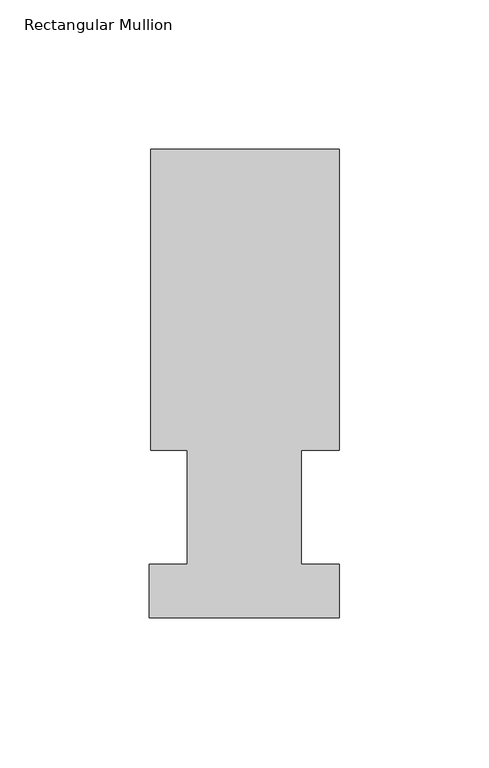
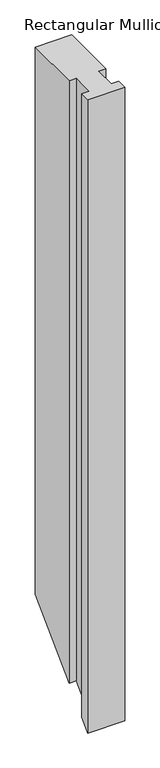
"""IFC4 building model written with IfcOpenShell, lengths in millimetres: member geometry, Rectangular Mullion."""

import ifcopenshell
import ifcopenshell.guid

model = None  # the IFC model being written
_history = None  # IfcOwnerHistory: only IFC2X3 demands one
_inside = {}  # id of a spatial element -> (the spatial element, [elements in it])
_under = {}  # id of a project, library or spatial element -> (it, [spatial elements below it])
_declared = {}  # id of a project -> (the project, [libraries it declares])
_typed = {}  # id of a type object -> (the type object, [elements of that type])
_made_of = {}  # id of a material, layer set ... -> (it, [elements and type objects made of it])


def new_model(schema):
    """Start an empty IFC model of exactly this schema.

    Asked for "IFC4X3", IfcOpenShell would pick the latest addendum, in which some entities
    have other attributes; the version numbers below select the first issue.
    IFC2X3 requires an IfcOwnerHistory on every rooted entity: one is made here for all.
    """
    global model, _history
    if schema == "IFC4X3":
        model = ifcopenshell.file(schema_version=(4, 3, 0, 0))
    else:
        model = ifcopenshell.file(schema=schema)
    _inside.clear()
    _under.clear()
    _declared.clear()
    _typed.clear()
    _made_of.clear()
    _history = None
    if model.schema == "IFC2X3":
        org = make("IfcOrganization", Name="unknown")
        user = make(
            "IfcPersonAndOrganization",
            ThePerson=make("IfcPerson", FamilyName="unknown"),
            TheOrganization=org,
        )
        app = make(
            "IfcApplication",
            ApplicationDeveloper=org,
            Version="unknown",
            ApplicationFullName="unknown",
            ApplicationIdentifier="unknown",
        )
        _history = make(
            "IfcOwnerHistory",
            OwningUser=user,
            OwningApplication=app,
            ChangeAction="ADDED",
            CreationDate=0,
        )
    return model


def make(cls, **values):
    """One entity of the class cls with the attributes given. An attribute that is None is left unset."""
    return model.create_entity(
        cls, **{name: value for name, value in values.items() if value is not None}
    )


def rooted(cls, **values):
    """An entity with a GlobalId (a new one), such as an element, a storey or a relation."""
    return make(cls, GlobalId=ifcopenshell.guid.new(), OwnerHistory=_history, **values)


def si_unit(unit_type, name, prefix=None):
    """IfcSIUnit, for example si_unit("LENGTHUNIT", "METRE", prefix="MILLI")."""
    return make("IfcSIUnit", UnitType=unit_type, Prefix=prefix, Name=name)


def assignment(units):
    """IfcUnitAssignment: the units of a project."""
    return None if units is None else make("IfcUnitAssignment", Units=units)


def point(xyz):
    """IfcCartesianPoint."""
    return None if xyz is None else make("IfcCartesianPoint", Coordinates=xyz)


def direction(xyz):
    """IfcDirection."""
    return None if xyz is None else make("IfcDirection", DirectionRatios=xyz)


def frame(location, z_axis=None, x_axis=None):
    """IfcAxis2Placement3D, a coordinate frame: its origin and axes. An axis left out is left unset."""
    return make(
        "IfcAxis2Placement3D",
        Location=point(location),
        Axis=direction(z_axis),
        RefDirection=direction(x_axis),
    )


def origin():
    """The frame at (0, 0, 0) with its axes left unset."""
    return frame((0.0, 0.0, 0.0))


def place(relative_to, where):
    """IfcLocalPlacement: puts the frame where relative to a parent placement (None: the world)."""
    return make(
        "IfcLocalPlacement", PlacementRelTo=relative_to, RelativePlacement=where
    )


def context(
    kind, dimensions, precision=None, world=None, true_north=None, identifier=None
):
    """IfcGeometricRepresentationContext, for example the 3D "Model" context."""
    return make(
        "IfcGeometricRepresentationContext",
        ContextIdentifier=identifier,
        ContextType=kind,
        CoordinateSpaceDimension=dimensions,
        Precision=precision,
        WorldCoordinateSystem=world,
        TrueNorth=true_north,
    )


def project(units=None, contexts=None):
    """IfcProject with its units and contexts."""
    return rooted(
        "IfcProject",
        Name="project",
        RepresentationContexts=contexts,
        UnitsInContext=assignment(units),
    )


def spatial(cls, under=None, at=None, **own):
    """A site, building, storey or space (cls), placed at a placement, below another one or the project."""
    s = rooted(cls, ObjectPlacement=at, **own)
    if under is not None:
        _under.setdefault(under.id(), (under, []))[1].append(s)
    return s


def faces_of(points, faces, orient=None, outer=None):
    """IfcFace entities. A face is a list of loops; a loop is a list of indices into points, from 0.

    orient and outer hold one flag for each loop. By default every Orientation is true, the
    first loop of a face is its IfcFaceOuterBound and the others are IfcFaceBound.
    """
    made = []
    for i, loops in enumerate(faces):
        bounds = []
        for j, loop in enumerate(loops):
            is_outer = j == 0 if outer is None else outer[i][j]
            bounds.append(
                make(
                    "IfcFaceOuterBound" if is_outer else "IfcFaceBound",
                    Bound=make("IfcPolyLoop", Polygon=[points[k] for k in loop]),
                    Orientation=True if orient is None else orient[i][j],
                )
            )
        made.append(make("IfcFace", Bounds=bounds))
    return made


def faceted_brep(points, faces, orient=None, outer=None, voids=None):
    """IfcFacetedBrep: a solid bounded by flat faces; with voids (closed shells), ...WithVoids."""
    shared = [point(p) for p in points]
    hull = make("IfcClosedShell", CfsFaces=faces_of(shared, faces, orient, outer))
    if voids is None:
        return make("IfcFacetedBrep", Outer=hull)
    return make(
        "IfcFacetedBrepWithVoids",
        Outer=hull,
        Voids=[
            make(cls, CfsFaces=faces_of(shared, fs, o, b)) for cls, fs, o, b in voids
        ],
    )


def shape(context_of_items, identifier, shape_type, items):
    """IfcShapeRepresentation: the items that make up one representation, for example the "Body"."""
    return make(
        "IfcShapeRepresentation",
        ContextOfItems=context_of_items,
        RepresentationIdentifier=identifier,
        RepresentationType=shape_type,
        Items=items,
    )


def source(mapping_origin, context_of_items, identifier, shape_type, items):
    """IfcRepresentationMap: a shape defined once, which mapped items show again and again."""
    return make(
        "IfcRepresentationMap",
        MappingOrigin=mapping_origin,
        MappedRepresentation=shape(context_of_items, identifier, shape_type, items),
    )


def transform(
    local_origin,
    x_axis=None,
    y_axis=None,
    z_axis=None,
    scale=None,
    scale2=None,
    scale3=None,
    uniform=True,
):
    """IfcCartesianTransformationOperator3D, or its non-uniform kind. x_axis, y_axis, z_axis: its Axis1, 2, 3."""
    if uniform:
        return make(
            "IfcCartesianTransformationOperator3D",
            Axis1=direction(x_axis),
            Axis2=direction(y_axis),
            LocalOrigin=point(local_origin),
            Scale=scale,
            Axis3=direction(z_axis),
        )
    return make(
        "IfcCartesianTransformationOperator3DnonUniform",
        Axis1=direction(x_axis),
        Axis2=direction(y_axis),
        LocalOrigin=point(local_origin),
        Scale=scale,
        Axis3=direction(z_axis),
        Scale2=scale2,
        Scale3=scale3,
    )


def mapped(mapping_source, mapping_target):
    """IfcMappedItem: shows the shape of a source again, moved by a transform."""
    return make(
        "IfcMappedItem", MappingSource=mapping_source, MappingTarget=mapping_target
    )


def made_of(thing, what):
    """Note that an element or type object is made of a material, layer set ...; save() writes the relation."""
    if what is not None:
        _made_of.setdefault(what.id(), (what, []))[1].append(thing)
    return thing


def element(
    cls,
    number,
    at=None,
    inside=None,
    cuts=None,
    type_object=None,
    material=None,
    context=None,
    identifier="Body",
    shape_type=None,
    held_by="IfcProductDefinitionShape",
    body=None,
    shapes=None,
    **own,
):
    """One element of the class cls, such as IfcWall. Its Tag is "e" and its number.

    at: its placement. inside: the storey or other place that contains it. cuts: it is an
    opening in that element (IfcRelVoidsElement). A single representation is given by context,
    identifier, shape_type and body (its items); several are given by shapes. held_by: the class
    of the entity that holds the representations. save() writes the other relations.
    """
    e = rooted(cls, Tag="e%d" % number, ObjectPlacement=at, **own)
    if body is not None:
        shapes = [shape(context, identifier, shape_type, body)]
    if shapes is not None:
        e.Representation = make(held_by, Representations=shapes)
    if inside is not None:
        _inside.setdefault(inside.id(), (inside, []))[1].append(e)
    if cuts is not None:
        rooted(
            "IfcRelVoidsElement", RelatingBuildingElement=cuts, RelatedOpeningElement=e
        )
    if type_object is not None:
        _typed.setdefault(type_object.id(), (type_object, []))[1].append(e)
    return made_of(e, material)


def aggregate(whole, parts):
    """IfcRelAggregates: a whole, such as a stair, and the parts it consists of."""
    return rooted("IfcRelAggregates", RelatingObject=whole, RelatedObjects=parts)


def save(model, path):
    """Write the relations noted so far, then the file.

    IfcRelAggregates (storeys below a building ...), IfcRelContainedInSpatialStructure (elements
    in a storey), IfcRelDefinesByType, IfcRelAssociatesMaterial and IfcRelDeclares: one each for
    every whole, place, type object, material and project.
    """
    for whole, parts in _under.values():
        aggregate(whole, parts)
    for where, things in _inside.values():
        rooted(
            "IfcRelContainedInSpatialStructure",
            RelatedElements=things,
            RelatingStructure=where,
        )
    for kind, things in _typed.values():
        rooted("IfcRelDefinesByType", RelatedObjects=things, RelatingType=kind)
    for what, things in _made_of.values():
        rooted("IfcRelAssociatesMaterial", RelatedObjects=things, RelatingMaterial=what)
    for by, libraries in _declared.values():
        rooted("IfcRelDeclares", RelatingContext=by, RelatedDefinitions=libraries)
    model.write(path)


def rectangular_mullion_8f20fb99(model_context):
    return source(origin(), model_context, "Body", "Brep", [
        faceted_brep([(-63.0936, 56.6539062, 0.0), (-50.8, 56.6539062, 0.0), (-50.8, 18.5539062, 0.0), (-63.5, 18.5539062, 0.0), (-63.5, 0.5199062, 0.0), (0.0, 0.5199062, 0.0), (0.0, 18.5539062, 0.0), (-12.6746, 18.5539062, 0.0), (-12.6746, 56.6539062, 0.0), (0.0, 56.6539063, 0.0), (0.0, 157.3395062, 0.0), (-63.0936, 157.3395062, 0.0), (-63.0936, 56.6539062, -1092.1112107), (-50.8, 56.6539062, -1092.1112107), (-50.8, 18.5539062, -1130.2112107), (-63.5, 18.5539062, -1130.2112107), (-63.5, 0.5199062, -1148.2452107), (0.0, 0.5199062, -1148.2452107), (0.0, 18.5539062, -1130.2112107), (-12.6746, 18.5539062, -1130.2112107), (-12.6746, 56.6539062, -1092.1112107), (0.0, 56.6539063, -1092.1112107), (0.0, 157.3395062, -991.4256107), (-63.0936, 157.3395062, -991.4256107)], [[[0, 1, 2, 3, 4, 5, 6, 7, 8, 9, 10, 11]], [[1, 0, 12, 13]], [[2, 1, 13, 14]], [[3, 2, 14, 15]], [[4, 3, 15, 16]], [[5, 4, 16, 17]], [[6, 5, 17, 18]], [[7, 6, 18, 19]], [[8, 7, 19, 20]], [[9, 8, 20, 21]], [[10, 9, 21, 22]], [[11, 10, 22, 23]], [[0, 11, 23, 12]], [[12, 23, 22, 21, 20, 19, 18, 17, 16, 15, 14, 13]]]),
    ])


if __name__ == "__main__":
    model = new_model("IFC4")
    model_context = context("Model", 3, world=origin())
    ifc_project = project(units=[si_unit("LENGTHUNIT", "METRE", prefix="MILLI")], contexts=[model_context])
    site = spatial("IfcSite", under=ifc_project)
    building = spatial("IfcBuilding", under=site)
    placement = place(None, origin())
    rectangular_mullion_shape = rectangular_mullion_8f20fb99(model_context)
    element("IfcMember", 1, ObjectType="Rectangular Mullion", at=placement, inside=building, context=model_context, shape_type="MappedRepresentation", body=[
        mapped(rectangular_mullion_shape, transform((0.0, 0.0, 0.0), x_axis=(1.0, 0.0, 0.0), y_axis=(0.0, 1.0, 0.0), z_axis=(0.0, 0.0, 1.0))),
    ])
    save(model, "model.ifc")
